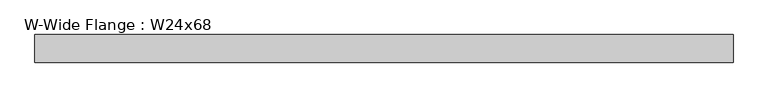
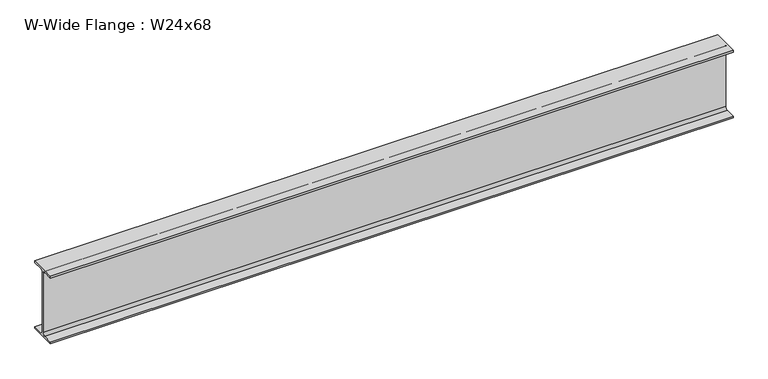
"""IFC4 building model written with IfcOpenShell, lengths in millimetres: beam geometry, W-Wide Flange : W24x68."""

from ifc_helpers import new_model, si_unit, point, frame, frame_2d, origin, place, context, project, spatial, polyline, circle_curve, trimmed, segment, composite_curve, outline, extrude, source, transform, mapped, element, save


def w_wide_flange_w24x68_7cc716a7(model_context):
    return source(origin(), model_context, "Body", "SweptSolid", [
        extrude(outline(composite_curve([segment(polyline([(113.919, -286.131), (113.919, -300.99), (-113.919, -300.99), (-113.919, -286.131), (-28.5115, -286.131)]), True, "CONTINUOUS"), segment(trimmed(circle_curve(frame_2d((-28.5115, -262.89)), 23.241), [point((-28.5115, -286.131))], [point((-5.2705, -262.89))], True, "CARTESIAN"), True, "CONTINUOUS"), segment(polyline([(-5.2705, -262.89), (-5.2705, 262.89)]), True, "CONTINUOUS"), segment(trimmed(circle_curve(frame_2d((-28.5115, 262.89)), 23.241), [point((-5.2705, 262.89))], [point((-28.5115, 286.131))], True, "CARTESIAN"), True, "CONTINUOUS"), segment(polyline([(-28.5115, 286.131), (-113.919, 286.131), (-113.919, 300.99), (113.919, 300.99), (113.919, 286.131), (28.5115, 286.131)]), True, "CONTINUOUS"), segment(trimmed(circle_curve(frame_2d((28.5115, 262.89)), 23.241), [point((28.5115, 286.131))], [point((5.2705, 262.89))], True, "CARTESIAN"), True, "CONTINUOUS"), segment(polyline([(5.2705, 262.89), (5.2705, -262.89)]), True, "CONTINUOUS"), segment(trimmed(circle_curve(frame_2d((28.5115, -262.89)), 23.241), [point((5.2705, -262.89))], [point((28.5115, -286.131))], True, "CARTESIAN"), True, "CONTINUOUS"), segment(polyline([(28.5115, -286.131), (113.919, -286.131)]), True, "CONTINUOUS")], self_intersect=False)), frame((-2830.8206977, 0.0, 0.0), z_axis=(1.0, 0.0, 0.0), x_axis=(0.0, 1.0, 0.0)), (0.0, 0.0, 1.0), 5763.26),
    ])


if __name__ == "__main__":
    model = new_model("IFC4")
    model_context = context("Model", 3, world=origin())
    ifc_project = project(units=[si_unit("LENGTHUNIT", "METRE", prefix="MILLI")], contexts=[model_context])
    site = spatial("IfcSite", under=ifc_project)
    building = spatial("IfcBuilding", under=site)
    placement = place(None, origin())
    w_wide_flange_w24x68_shape = w_wide_flange_w24x68_7cc716a7(model_context)
    element("IfcBeam", 1, ObjectType="W-Wide Flange : W24x68", at=placement, inside=building, context=model_context, shape_type="MappedRepresentation", body=[
        mapped(w_wide_flange_w24x68_shape, transform((0.0, 0.0, 0.0), x_axis=(1.0, 0.0, 0.0), y_axis=(0.0, 1.0, 0.0), z_axis=(0.0, 0.0, 1.0))),
    ])
    save(model, "model.ifc")
